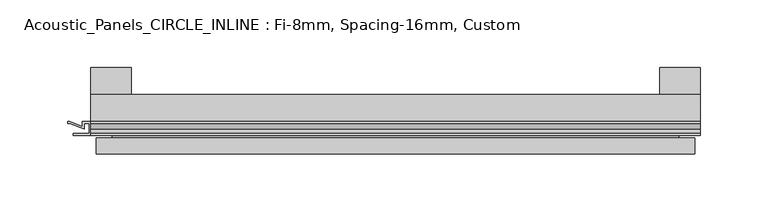
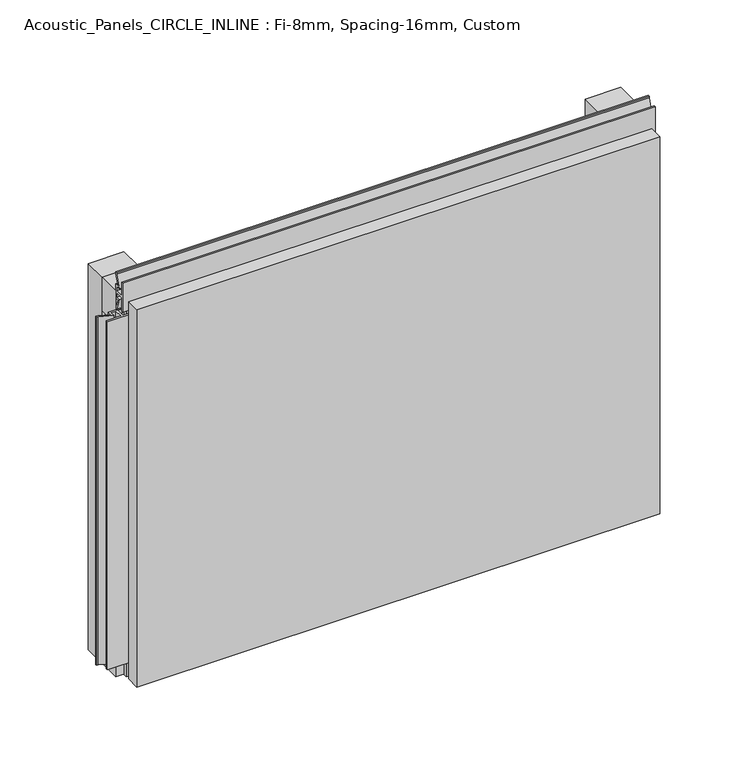
"""IFC4 building model written with IfcOpenShell, lengths in millimetres: plate geometry, Acoustic_Panels_CIRCLE_INLINE : Fi-8mm, Spacing-16mm, Custom."""

from ifc_helpers import new_model, si_unit, frame, origin, origin_with_axes, place, context, project, spatial, polyline, outline, extrude, faceted_brep, source, transform, mapped, element, save


def acoustic_panels_circle_inline_fi_8mm_spacing_16mm_custom_3990dd23(model_context):
    return source(origin(), model_context, "Body", "SolidModel", [
        extrude(outline(polyline([(-225.0, -40.0), (-225.0, -20.0), (225.0, -20.0), (225.0, -40.0), (-225.0, -40.0)])), frame((0.0, 0.0, 315.0), z_axis=(0.0, 0.0, 1.0), x_axis=(1.0, 0.0, 0.0)), (0.0, 0.0, 1.0), 30.0),
        extrude(outline(polyline([(-225.0, -40.0), (-225.0, -20.0), (225.0, -20.0), (225.0, -40.0), (-225.0, -40.0)])), origin_with_axes(), (0.0, 0.0, 1.0), 30.0),
        extrude(outline(polyline([(195.0, 0.0), (225.0, 0.0), (225.0, -20.0), (195.0, -20.0), (195.0, 0.0)])), origin_with_axes(), (0.0, 0.0, 1.0), 345.0),
        extrude(outline(polyline([(-195.0, 0.0), (-195.0, -20.0), (-225.0, -20.0), (-225.0, 0.0), (-195.0, 0.0)])), origin_with_axes(), (0.0, 0.0, 1.0), 345.0),
        extrude(outline(polyline([(218.700916, -40.0), (225.0, -40.0), (225.0, -50.1), (211.5843193, -50.1), (211.5843193, -48.7), (223.5843193, -48.7), (223.5843193, -41.4), (220.100916, -41.4), (220.100916, -45.5140545), (209.4296606, -41.4553267), (202.008452, -41.4553267), (202.008452, -40.0553267), (209.6441401, -40.0553267), (218.700916, -43.5), (218.700916, -40.0)])), frame((0.0, 0.0, 16.9558599), z_axis=(0.0, 0.0, 1.0), x_axis=(1.0, 0.0, 0.0)), (0.0, 0.0, 1.0), 311.0882802),
        extrude(outline(polyline([(-225.899084, -48.7), (-225.899084, -41.4), (-229.899084, -41.4), (-229.899084, -45.5140545), (-240.5703394, -41.4553267), (-241.9558599, -41.4553267), (-241.9558599, -40.0553267), (-240.3558599, -40.0553267), (-231.299084, -43.5), (-231.299084, -40.0), (-218.700916, -40.0), (-218.700916, -43.5), (-209.6441401, -40.0553267), (-208.0441401, -40.0553267), (-208.0441401, -41.4553267), (-209.4296606, -41.4553267), (-220.100916, -45.5140545), (-220.100916, -41.4), (-224.100916, -41.4), (-224.100916, -48.7), (-212.100916, -48.7), (-212.100916, -50.1), (-237.899084, -50.1), (-237.899084, -48.7), (-225.899084, -48.7)])), frame((0.0, 0.0, 16.9558599), z_axis=(0.0, 0.0, 1.0), x_axis=(1.0, 0.0, 0.0)), (0.0, 0.0, 1.0), 311.0882802),
        extrude(outline(polyline([(-48.7, 345.899084), (-41.4, 345.899084), (-41.4, 349.899084), (-45.5140545, 349.899084), (-41.4553267, 360.5703394), (-41.4553267, 361.9558599), (-40.0553267, 361.9558599), (-40.0553267, 360.3558599), (-43.5, 351.299084), (-40.0, 351.299084), (-40.0, 338.700916), (-43.5, 338.700916), (-40.0553267, 329.6441401), (-40.0553267, 328.0441401), (-41.4553267, 328.0441401), (-41.4553267, 329.4296606), (-45.5140545, 340.100916), (-41.4, 340.100916), (-41.4, 344.100916), (-48.7, 344.100916), (-48.7, 332.100916), (-50.1, 332.100916), (-50.1, 357.899084), (-48.7, 357.899084), (-48.7, 345.899084)])), frame((-225.0, 0.0, 0.0), z_axis=(1.0, 0.0, 0.0), x_axis=(0.0, 1.0, 0.0)), (0.0, 0.0, 1.0), 450.0),
        faceted_brep([(221.0, -45.9, 341.0), (-221.0, -45.9, 341.0), (-221.0, -48.7, 341.0), (221.0, -48.7, 341.0), (-221.0, -63.9, 341.0), (221.0, -63.9, 341.0), (221.0, -51.9, 341.0), (-221.0, -51.9, 341.0), (-221.0, -45.9, 4.0), (221.0, -45.9, 4.0), (221.0, -48.7, 4.0), (-221.0, -48.7, 4.0), (221.0, -63.9, 4.0), (-221.0, -63.9, 4.0), (-221.0, -51.9, 4.0), (221.0, -51.9, 4.0), (209.0, -51.9, 329.0), (209.0, -51.9, 16.0), (209.0, -48.7, 16.0), (209.0, -48.7, 329.0), (-209.0, -51.9, 16.0), (-209.0, -48.7, 16.0), (-209.0, -51.9, 329.0), (-209.0, -48.7, 329.0)], [[[0, 1, 2, 3]], [[4, 5, 6, 7]], [[8, 9, 10, 11]], [[12, 13, 14, 15]], [[1, 0, 9, 8]], [[1, 8, 11, 2]], [[13, 4, 7, 14]], [[5, 4, 13, 12]], [[9, 0, 3, 10]], [[5, 12, 15, 6]], [[16, 17, 18, 19]], [[18, 17, 20, 21]], [[21, 20, 22, 23]], [[16, 19, 23, 22]], [[7, 6, 15, 14], [17, 16, 22, 20]], [[3, 2, 11, 10], [19, 18, 21, 23]]]),
    ])


if __name__ == "__main__":
    model = new_model("IFC4")
    model_context = context("Model", 3, world=origin())
    ifc_project = project(units=[si_unit("LENGTHUNIT", "METRE", prefix="MILLI")], contexts=[model_context])
    site = spatial("IfcSite", under=ifc_project)
    building = spatial("IfcBuilding", under=site)
    placement = place(None, origin())
    acoustic_panels_circle_inline_fi_8mm_spacing_16mm_custom_shape = acoustic_panels_circle_inline_fi_8mm_spacing_16mm_custom_3990dd23(model_context)
    element("IfcPlate", 1, ObjectType="Acoustic_Panels_CIRCLE_INLINE : Fi-8mm, Spacing-16mm, Custom", at=placement, inside=building, context=model_context, shape_type="MappedRepresentation", body=[
        mapped(acoustic_panels_circle_inline_fi_8mm_spacing_16mm_custom_shape, transform((0.0, 0.0, 0.0), x_axis=(1.0, 0.0, 0.0), y_axis=(0.0, 1.0, 0.0), z_axis=(0.0, 0.0, 1.0))),
    ])
    save(model, "model.ifc")
